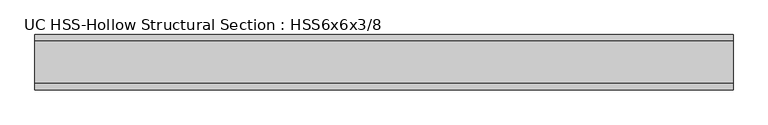
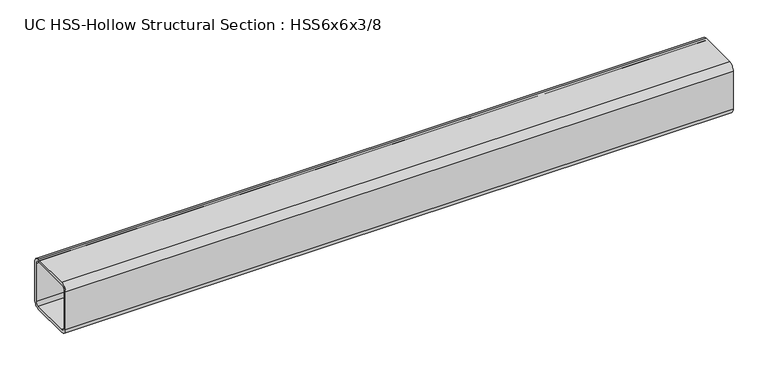
"""IFC4 building model written with IfcOpenShell, lengths in millimetres: beam geometry, UC HSS-Hollow Structural Section : HSS6x6x3/8."""

from ifc_helpers import new_model, si_unit, point, frame, frame_2d, origin, place, context, project, spatial, polyline, circle_curve, trimmed, segment, composite_curve, outline, extrude, source, transform, mapped, element, save


def uc_hss_hollow_structural_section_hss6x6x3_8_848ccd52(model_context):
    return source(origin(), model_context, "Body", "SweptSolid", [
        extrude(outline(composite_curve([segment(trimmed(circle_curve(frame_2d((-58.4708, 58.4708)), 17.7292), [point((-76.2, 58.4708))], [point((-58.4708, 76.2))], False, "CARTESIAN"), True, "CONTINUOUS"), segment(polyline([(-58.4708, 76.2), (58.4708, 76.2)]), True, "CONTINUOUS"), segment(trimmed(circle_curve(frame_2d((58.4708, 58.4708)), 17.7292), [point((58.4708, 76.2))], [point((76.2, 58.4708))], False, "CARTESIAN"), True, "CONTINUOUS"), segment(polyline([(76.2, 58.4708), (76.2, -58.4708)]), True, "CONTINUOUS"), segment(trimmed(circle_curve(frame_2d((58.4708, -58.4708)), 17.7292), [point((76.2, -58.4708))], [point((58.4708, -76.2))], False, "CARTESIAN"), True, "CONTINUOUS"), segment(polyline([(58.4708, -76.2), (-58.4708, -76.2)]), True, "CONTINUOUS"), segment(trimmed(circle_curve(frame_2d((-58.4708, -58.4708)), 17.7292), [point((-58.4708, -76.2))], [point((-76.2, -58.4708))], False, "CARTESIAN"), True, "CONTINUOUS"), segment(polyline([(-76.2, -58.4708), (-76.2, 58.4708)]), True, "CONTINUOUS")], self_intersect=False), holes=[composite_curve([segment(polyline([(58.4708, 67.3354), (-58.4708, 67.3354)]), True, "CONTINUOUS"), segment(trimmed(circle_curve(frame_2d((-58.4708, 58.4708)), 8.8646), [point((-58.4708, 67.3354))], [point((-67.3354, 58.4708))], True, "CARTESIAN"), True, "CONTINUOUS"), segment(polyline([(-67.3354, 58.4708), (-67.3354, -58.4708)]), True, "CONTINUOUS"), segment(trimmed(circle_curve(frame_2d((-58.4708, -58.4708)), 8.8646), [point((-67.3354, -58.4708))], [point((-58.4708, -67.3354))], True, "CARTESIAN"), True, "CONTINUOUS"), segment(polyline([(-58.4708, -67.3354), (58.4708, -67.3354)]), True, "CONTINUOUS"), segment(trimmed(circle_curve(frame_2d((58.4708, -58.4708)), 8.8646), [point((58.4708, -67.3354))], [point((67.3354, -58.4708))], True, "CARTESIAN"), True, "CONTINUOUS"), segment(polyline([(67.3354, -58.4708), (67.3354, 58.4708)]), True, "CONTINUOUS"), segment(trimmed(circle_curve(frame_2d((58.4708, 58.4708)), 8.8646), [point((67.3354, 58.4708))], [point((58.4708, 67.3354))], True, "CARTESIAN"), True, "CONTINUOUS")], self_intersect=False)]), frame((-1024.8124501, 0.0, 0.0), z_axis=(1.0, 0.0, 0.0), x_axis=(0.0, 1.0, 0.0)), (0.0, 0.0, 1.0), 1925.4817244),
    ])


if __name__ == "__main__":
    model = new_model("IFC4")
    model_context = context("Model", 3, world=origin())
    ifc_project = project(units=[si_unit("LENGTHUNIT", "METRE", prefix="MILLI")], contexts=[model_context])
    site = spatial("IfcSite", under=ifc_project)
    building = spatial("IfcBuilding", under=site)
    placement = place(None, origin())
    uc_hss_hollow_structural_section_hss6x6x3_8_shape = uc_hss_hollow_structural_section_hss6x6x3_8_848ccd52(model_context)
    element("IfcBeam", 1, ObjectType="UC HSS-Hollow Structural Section : HSS6x6x3/8", at=placement, inside=building, context=model_context, shape_type="MappedRepresentation", body=[
        mapped(uc_hss_hollow_structural_section_hss6x6x3_8_shape, transform((0.0, 0.0, 0.0), x_axis=(1.0, 0.0, 0.0), y_axis=(0.0, 1.0, 0.0), z_axis=(0.0, 0.0, 1.0))),
    ])
    save(model, "model.ifc")
